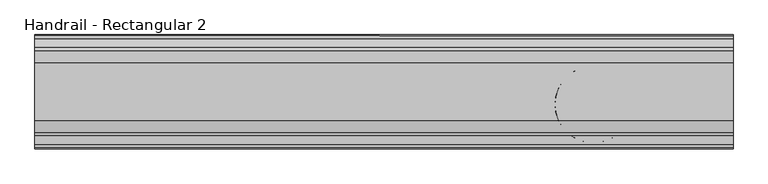
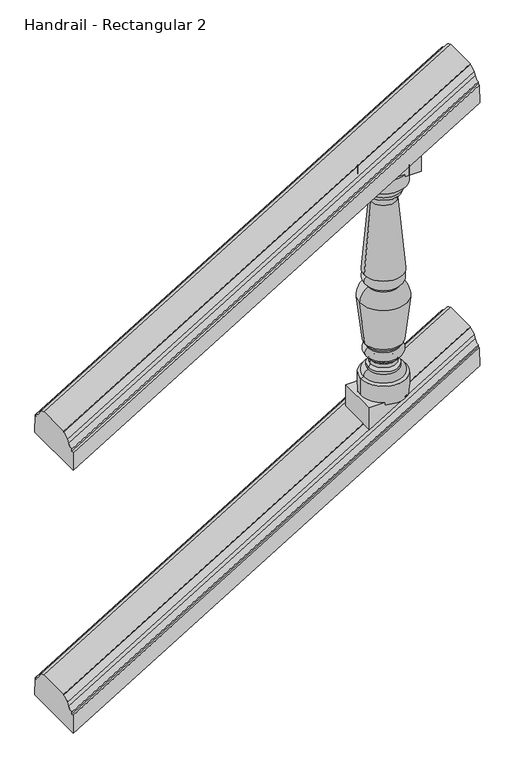
"""IFC4 building model written with IfcOpenShell, lengths in millimetres: railing geometry, Handrail - Rectangular 2."""

from ifc_helpers import new_model, si_unit, point, frame, origin, place, context, project, spatial, polyline, circle_curve, ellipse_curve, trimmed, outline, extrude, source, transform, mapped, element, save
from ifc_brep_helpers import plane_surface, cylinder_surface, revolved_surface, advanced_brep


def handrail_rectangular_2_e34b706b(model_context):
    return source(origin(), model_context, "Body", "SolidModel", [
        advanced_brep(
        [(6060.3027138, 3915.5232089, 1199.0074207), (6060.3027138, 3932.6436506, 1210.4791063), (6060.3027138, 3939.1037227, 1221.5403426), (6060.3027138, 3963.1482089, 1232.4207421), (6060.3027138, 3963.1482089, 1236.1333333), (6060.3027138, 4079.0357089, 1236.1333333), (6060.3027138, 4079.0357089, 1232.4207421), (6060.3027138, 4103.080195, 1221.5403426), (6060.3027138, 4109.5402671, 1210.4791063), (6060.3027138, 4126.6607089, 1199.0074207), (6060.3027138, 4126.6607089, 1191.5822381), (6060.3027138, 4133.8044589, 1191.5822381), (6060.3027138, 4135.3919589, 1128.4681866), (6060.3027138, 3906.7919589, 1128.4681866), (6060.3027138, 3908.3794589, 1191.5822381), (6060.3027138, 3915.5232089, 1191.5822381), (7457.3027138, 3915.5232089, 2045.6740873), (7457.3027138, 3915.5232089, 2038.2489048), (7457.3027138, 3908.3794589, 2038.2489048), (7457.3027138, 3906.7919589, 1975.1348533), (7457.3027138, 4135.3919589, 1975.1348533), (7457.3027138, 4133.8044589, 2038.2489048), (7457.3027138, 4126.6607089, 2038.2489048), (7457.3027138, 4126.6607089, 2045.6740873), (7457.3027138, 4109.5402671, 2057.145773), (7457.3027138, 4103.080195, 2068.2070092), (7457.3027138, 4079.0357089, 2079.0874087), (7457.3027138, 4079.0357089, 2082.8), (7457.3027138, 3963.1482089, 2082.8), (7457.3027138, 3963.1482089, 2079.0874087), (7457.3027138, 3939.1037227, 2068.2070092), (7457.3027138, 3932.6436506, 2057.145773)],
        [
            (0, 1, ellipse_curve(frame((6060.3027138, 3915.5232089, 1222.2111161), z_axis=(1.0, 0.0, 0.0), x_axis=(0.0, 0.0, 1.0)), 23.2036954, 19.84375)),
            (1, 2),
            (2, 3, ellipse_curve(frame((6060.3027138, 3963.1482089, 1190.6540903), z_axis=(-1.0, 0.0, 0.0), x_axis=(0.0, 0.0, -1.0)), 41.7666517, 35.71875)),
            (3, 4),
            (4, 5),
            (5, 6),
            (6, 7, ellipse_curve(frame((6060.3027138, 4079.0357089, 1190.6540903), z_axis=(-1.0, 0.0, 0.0), x_axis=(0.0, 0.0, -1.0)), 41.7666517, 35.71875)),
            (7, 8),
            (8, 9, ellipse_curve(frame((6060.3027138, 4126.6607089, 1222.2111161), z_axis=(1.0, 0.0, 0.0), x_axis=(0.0, 0.0, 1.0)), 23.2036954, 19.84375)),
            (9, 10),
            (10, 11),
            (11, 12),
            (12, 13),
            (13, 14),
            (14, 15),
            (15, 0),
            (16, 17),
            (17, 18),
            (18, 19),
            (19, 20),
            (20, 21),
            (21, 22),
            (22, 23),
            (23, 24, ellipse_curve(frame((7457.3027138, 4126.6607089, 2068.8777828), z_axis=(-1.0, 0.0, 0.0), x_axis=(0.0, 0.0, 1.0)), 23.2036954, 19.84375)),
            (24, 25),
            (25, 26, ellipse_curve(frame((7457.3027138, 4079.0357089, 2037.320757), z_axis=(1.0, 0.0, 0.0), x_axis=(0.0, 0.0, -1.0)), 41.7666517, 35.71875)),
            (26, 27),
            (27, 28),
            (28, 29),
            (29, 30, ellipse_curve(frame((7457.3027138, 3963.1482089, 2037.320757), z_axis=(1.0, 0.0, 0.0), x_axis=(0.0, 0.0, -1.0)), 41.7666517, 35.71875)),
            (30, 31),
            (31, 16, ellipse_curve(frame((7457.3027138, 3915.5232089, 2068.8777828), z_axis=(-1.0, 0.0, 0.0), x_axis=(0.0, 0.0, 1.0)), 23.2036954, 19.84375)),
            (0, 16),
            (31, 1),
            (30, 2),
            (29, 3),
            (28, 4),
            (27, 5),
            (26, 6),
            (25, 7),
            (24, 8),
            (23, 9),
            (22, 10),
            (21, 11),
            (20, 12),
            (19, 13),
            (18, 14),
            (17, 15),
        ],
        [
            plane_surface(frame((6060.3027138, 4021.0919589, 1236.1333333), z_axis=(-1.0, 0.0, 0.0), x_axis=(0.0, 1.0, 0.0))),
            plane_surface(frame((7457.3027138, 4021.0919589, 2082.8), z_axis=(1.0, 0.0, 0.0), x_axis=(0.0, 1.0, 0.0))),
            revolved_surface(polyline([(7472.787982704496, 3932.643650672254, 2066.5307845075777), (6055.2178833424505, 3932.643650672254, 1207.3973909549572)]), (6066.4737436, 3915.5232089, 1225.9511342), (0.8551978315540539, 0.0, 0.518301716093285)),
            plane_surface(frame((6060.3027138, 3932.6436506, 1210.4791063), z_axis=(-0.29229904298269427, -0.8258052588880854, 0.482293420921521), x_axis=(0.8551978315540539, 0.0, 0.5183017160932849))),
            cylinder_surface(frame((6080.4614111, 3963.1482089, 1202.8714827), z_axis=(-0.8551978315540539, 0.0, -0.518301716093285), x_axis=(-0.518301716093285, 0.0, 0.8551978315540539)), 35.71875),
            plane_surface(frame((6060.3027138, 3963.1482089, 1232.4207421), z_axis=(0.0, -1.0000000000000002, 0.0), x_axis=(0.8551978315540539, 0.0, 0.518301716093285))),
            plane_surface(frame((6060.3027138, 3963.1482089, 1236.1333333), z_axis=(-0.518301716093285, 0.0, 0.8551978315540539), x_axis=(0.8551978315540539, 0.0, 0.518301716093285))),
            plane_surface(frame((6060.3027138, 4079.0357089, 1236.1333333), z_axis=(0.0, 1.0000000000000002, 0.0), x_axis=(0.8551978315540539, 0.0, 0.518301716093285))),
            cylinder_surface(frame((6080.4614111, 4079.0357089, 1202.8714827), z_axis=(-0.8551978315540539, 0.0, -0.518301716093285), x_axis=(-0.518301716093285, 0.0, 0.8551978315540539)), 35.71875),
            plane_surface(frame((6060.3027138, 4103.080195, 1221.5403426), z_axis=(-0.2922990429826896, 0.8258052588880918, 0.4822934209215132), x_axis=(0.8551978315540539, 0.0, 0.518301716093285))),
            revolved_surface(polyline([(7472.787982704496, 4109.540267127746, 2066.5307845075777), (6055.2178833424505, 4109.540267127746, 1207.3973909549572)]), (6066.4737436, 4126.6607089, 1225.9511342), (0.8551978315540539, 0.0, 0.518301716093285)),
            plane_surface(frame((6060.3027138, 4126.6607089, 1199.0074207), z_axis=(0.0, 1.0000000000000002, 0.0), x_axis=(0.8551978315540539, 0.0, 0.518301716093285))),
            plane_surface(frame((6060.3027138, 4126.6607089, 1191.5822381), z_axis=(-0.5183017160932849, 0.0, 0.8551978315540539), x_axis=(0.8551978315540539, 0.0, 0.5183017160932849))),
            plane_surface(frame((6060.3027138, 4133.8044589, 1191.5822381), z_axis=(-0.015237578896775987, 0.9995677544643533, 0.02514200517968431), x_axis=(0.8551978315540539, 0.0, 0.5183017160932849))),
            plane_surface(frame((6060.3027138, 4135.3919589, 1128.4681866), z_axis=(0.518301716093285, 0.0, -0.8551978315540539), x_axis=(0.8551978315540539, 0.0, 0.518301716093285))),
            plane_surface(frame((6060.3027138, 3906.7919589, 1128.4681866), z_axis=(-0.015237578896776153, -0.9995677544643533, 0.02514200517968458), x_axis=(0.8551978315540539, 0.0, 0.518301716093285))),
            plane_surface(frame((6060.3027138, 3908.3794589, 1191.5822381), z_axis=(-0.5183017160932849, 0.0, 0.8551978315540539), x_axis=(0.8551978315540539, 0.0, 0.5183017160932849))),
            plane_surface(frame((6060.3027138, 3915.5232089, 1191.5822381), z_axis=(0.0, -1.0000000000000002, 0.0), x_axis=(0.8551978315540539, 0.0, 0.5183017160932849))),
        ],
        [
            (0, [[1, 2, 3, 4, 5, 6, 7, 8, 9, 10, 11, 12, 13, 14, 15, 16]]),
            (1, [[17, 18, 19, 20, 21, 22, 23, 24, 25, 26, 27, 28, 29, 30, 31, 32]]),
            (2, [[-1, 33, -32, 34]]),
            (3, [[-2, -34, -31, 35]]),
            (4, [[-3, -35, -30, 36]]),
            (5, [[-4, -36, -29, 37]]),
            (6, [[-5, -37, -28, 38]]),
            (7, [[-6, -38, -27, 39]]),
            (8, [[-7, -39, -26, 40]]),
            (9, [[-8, -40, -25, 41]]),
            (10, [[-9, -41, -24, 42]]),
            (11, [[-10, -42, -23, 43]]),
            (12, [[-11, -43, -22, 44]]),
            (13, [[-12, -44, -21, 45]]),
            (14, [[-13, -45, -20, 46]]),
            (15, [[-14, -46, -19, 47]]),
            (16, [[-15, -47, -18, 48]]),
            (17, [[-16, -48, -17, -33]]),
        ],
    ),
        advanced_brep(
        [(6060.3027138, 3915.5232089, 243.3324207), (6060.3027138, 3932.6436506, 254.8041063), (6060.3027138, 3939.1037227, 265.8653426), (6060.3027138, 3963.1482089, 276.7457421), (6060.3027138, 3963.1482089, 280.4583333), (6060.3027138, 4079.0357089, 280.4583333), (6060.3027138, 4079.0357089, 276.7457421), (6060.3027138, 4103.080195, 265.8653426), (6060.3027138, 4109.5402671, 254.8041063), (6060.3027138, 4126.6607089, 243.3324207), (6060.3027138, 4126.6607089, 235.9072381), (6060.3027138, 4133.8044589, 235.9072381), (6060.3027138, 4135.3919589, 172.7931866), (6060.3027138, 3906.7919589, 172.7931866), (6060.3027138, 3908.3794589, 235.9072381), (6060.3027138, 3915.5232089, 235.9072381), (7457.3027138, 3915.5232089, 1089.9990873), (7457.3027138, 3915.5232089, 1082.5739048), (7457.3027138, 3908.3794589, 1082.5739048), (7457.3027138, 3906.7919589, 1019.4598533), (7457.3027138, 4135.3919589, 1019.4598533), (7457.3027138, 4133.8044589, 1082.5739048), (7457.3027138, 4126.6607089, 1082.5739048), (7457.3027138, 4126.6607089, 1089.9990873), (7457.3027138, 4109.5402671, 1101.470773), (7457.3027138, 4103.080195, 1112.5320092), (7457.3027138, 4079.0357089, 1123.4124087), (7457.3027138, 4079.0357089, 1127.125), (7457.3027138, 3963.1482089, 1127.125), (7457.3027138, 3963.1482089, 1123.4124087), (7457.3027138, 3939.1037227, 1112.5320092), (7457.3027138, 3932.6436506, 1101.470773)],
        [
            (0, 1, ellipse_curve(frame((6060.3027138, 3915.5232089, 266.5361161), z_axis=(1.0, 0.0, 0.0), x_axis=(0.0, 0.0, 1.0)), 23.2036954, 19.84375)),
            (1, 2),
            (2, 3, ellipse_curve(frame((6060.3027138, 3963.1482089, 234.9790903), z_axis=(-1.0, 0.0, 0.0), x_axis=(0.0, 0.0, -1.0)), 41.7666517, 35.71875)),
            (3, 4),
            (4, 5),
            (5, 6),
            (6, 7, ellipse_curve(frame((6060.3027138, 4079.0357089, 234.9790903), z_axis=(-1.0, 0.0, 0.0), x_axis=(0.0, 0.0, -1.0)), 41.7666517, 35.71875)),
            (7, 8),
            (8, 9, ellipse_curve(frame((6060.3027138, 4126.6607089, 266.5361161), z_axis=(1.0, 0.0, 0.0), x_axis=(0.0, 0.0, 1.0)), 23.2036954, 19.84375)),
            (9, 10),
            (10, 11),
            (11, 12),
            (12, 13),
            (13, 14),
            (14, 15),
            (15, 0),
            (16, 17),
            (17, 18),
            (18, 19),
            (19, 20),
            (20, 21),
            (21, 22),
            (22, 23),
            (23, 24, ellipse_curve(frame((7457.3027138, 4126.6607089, 1113.2027828), z_axis=(-1.0, 0.0, 0.0), x_axis=(0.0, 0.0, 1.0)), 23.2036954, 19.84375)),
            (24, 25),
            (25, 26, ellipse_curve(frame((7457.3027138, 4079.0357089, 1081.645757), z_axis=(1.0, 0.0, 0.0), x_axis=(0.0, 0.0, -1.0)), 41.7666517, 35.71875)),
            (26, 27),
            (27, 28),
            (28, 29),
            (29, 30, ellipse_curve(frame((7457.3027138, 3963.1482089, 1081.645757), z_axis=(1.0, 0.0, 0.0), x_axis=(0.0, 0.0, -1.0)), 41.7666517, 35.71875)),
            (30, 31),
            (31, 16, ellipse_curve(frame((7457.3027138, 3915.5232089, 1113.2027828), z_axis=(-1.0, 0.0, 0.0), x_axis=(0.0, 0.0, 1.0)), 23.2036954, 19.84375)),
            (0, 16),
            (31, 1),
            (30, 2),
            (29, 3),
            (28, 4),
            (27, 5),
            (26, 6),
            (25, 7),
            (24, 8),
            (23, 9),
            (22, 10),
            (21, 11),
            (20, 12),
            (19, 13),
            (18, 14),
            (17, 15),
        ],
        [
            plane_surface(frame((6060.3027138, 4021.0919589, 280.4583333), z_axis=(-1.0, 0.0, 0.0), x_axis=(0.0, 1.0, 0.0))),
            plane_surface(frame((7457.3027138, 4021.0919589, 1127.125), z_axis=(1.0, 0.0, 0.0), x_axis=(0.0, 1.0, 0.0))),
            revolved_surface(polyline([(7472.787982704496, 3932.643650672254, 1110.8557845075777), (6055.2178833424505, 3932.643650672254, 251.72239095495712)]), (6066.4737436, 3915.5232089, 270.2761342), (0.8551978315540539, 0.0, 0.518301716093285)),
            plane_surface(frame((6060.3027138, 3932.6436506, 254.8041063), z_axis=(-0.29229904298269427, -0.8258052588880856, 0.48229342092152083), x_axis=(0.8551978315540538, 0.0, 0.518301716093285))),
            cylinder_surface(frame((6080.4614111, 3963.1482089, 247.1964827), z_axis=(-0.8551978315540539, 0.0, -0.518301716093285), x_axis=(-0.518301716093285, 0.0, 0.8551978315540539)), 35.71875),
            plane_surface(frame((6060.3027138, 3963.1482089, 276.7457421), z_axis=(0.0, -1.0000000000000002, 0.0), x_axis=(0.8551978315540539, 0.0, 0.518301716093285))),
            plane_surface(frame((6060.3027138, 3963.1482089, 280.4583333), z_axis=(-0.518301716093285, 0.0, 0.8551978315540539), x_axis=(0.8551978315540539, 0.0, 0.518301716093285))),
            plane_surface(frame((6060.3027138, 4079.0357089, 280.4583333), z_axis=(0.0, 1.0000000000000002, 0.0), x_axis=(0.8551978315540539, 0.0, 0.518301716093285))),
            cylinder_surface(frame((6080.4614111, 4079.0357089, 247.1964827), z_axis=(-0.8551978315540539, 0.0, -0.518301716093285), x_axis=(-0.518301716093285, 0.0, 0.8551978315540539)), 35.71875),
            plane_surface(frame((6060.3027138, 4103.080195, 265.8653426), z_axis=(-0.2922990429826896, 0.8258052588880918, 0.4822934209215132), x_axis=(0.8551978315540539, 0.0, 0.518301716093285))),
            revolved_surface(polyline([(7472.787982704496, 4109.540267127746, 1110.8557845075777), (6055.2178833424505, 4109.540267127746, 251.72239095495718)]), (6066.4737436, 4126.6607089, 270.2761342), (0.8551978315540539, 0.0, 0.518301716093285)),
            plane_surface(frame((6060.3027138, 4126.6607089, 243.3324207), z_axis=(0.0, 1.0000000000000002, 0.0), x_axis=(0.8551978315540539, 0.0, 0.518301716093285))),
            plane_surface(frame((6060.3027138, 4126.6607089, 235.9072381), z_axis=(-0.518301716093285, 0.0, 0.8551978315540539), x_axis=(0.8551978315540539, 0.0, 0.518301716093285))),
            plane_surface(frame((6060.3027138, 4133.8044589, 235.9072381), z_axis=(-0.015237578896775988, 0.9995677544643533, 0.02514200517968431), x_axis=(0.8551978315540539, 0.0, 0.518301716093285))),
            plane_surface(frame((6060.3027138, 4135.3919589, 172.7931866), z_axis=(0.518301716093285, 0.0, -0.8551978315540538), x_axis=(0.8551978315540538, 0.0, 0.518301716093285))),
            plane_surface(frame((6060.3027138, 3906.7919589, 172.7931866), z_axis=(-0.015237578896776151, -0.9995677544643531, 0.025142005179684575), x_axis=(0.8551978315540538, 0.0, 0.518301716093285))),
            plane_surface(frame((6060.3027138, 3908.3794589, 235.9072381), z_axis=(-0.518301716093285, 0.0, 0.8551978315540539), x_axis=(0.8551978315540539, 0.0, 0.518301716093285))),
            plane_surface(frame((6060.3027138, 3915.5232089, 235.9072381), z_axis=(0.0, -1.0000000000000002, 0.0), x_axis=(0.8551978315540539, 0.0, 0.518301716093285))),
        ],
        [
            (0, [[1, 2, 3, 4, 5, 6, 7, 8, 9, 10, 11, 12, 13, 14, 15, 16]]),
            (1, [[17, 18, 19, 20, 21, 22, 23, 24, 25, 26, 27, 28, 29, 30, 31, 32]]),
            (2, [[-1, 33, -32, 34]]),
            (3, [[-2, -34, -31, 35]]),
            (4, [[-3, -35, -30, 36]]),
            (5, [[-4, -36, -29, 37]]),
            (6, [[-5, -37, -28, 38]]),
            (7, [[-6, -38, -27, 39]]),
            (8, [[-7, -39, -26, 40]]),
            (9, [[-8, -40, -25, 41]]),
            (10, [[-9, -41, -24, 42]]),
            (11, [[-10, -42, -23, 43]]),
            (12, [[-11, -43, -22, 44]]),
            (13, [[-12, -44, -21, 45]]),
            (14, [[-13, -45, -20, 46]]),
            (15, [[-14, -46, -19, 47]]),
            (16, [[-15, -47, -18, 48]]),
            (17, [[-16, -48, -17, -33]]),
        ],
    ),
        advanced_brep(
        [(7177.9027138, 3995.6919589, 1788.1965933), (7100.3414749, 3995.6919589, 1788.1965933), (7255.4639527, 3995.6919589, 1788.1965933), (7255.6902138, 3995.6919589, 975.3965933), (7100.1152138, 3995.6919589, 975.3965933), (7177.9027138, 3995.6919589, 975.3965933), (7255.6902138, 3995.6919589, 1042.0715933), (7100.1152138, 3995.6919589, 1042.0715933), (7246.0781798, 3995.6919589, 1047.2200783), (7109.7272477, 3995.6919589, 1047.2200783), (7230.2902138, 3995.6919589, 1067.6026465), (7125.5152138, 3995.6919589, 1067.6026465), (7230.2902138, 3995.6919589, 1076.9965933), (7125.5152138, 3995.6919589, 1076.9965933), (7222.6714969, 3995.6919589, 1086.0314095), (7133.1339306, 3995.6919589, 1086.0314095), (7222.6714969, 3995.6919589, 1099.7117771), (7133.1339306, 3995.6919589, 1099.7117771), (7230.2902138, 3995.6919589, 1108.7465933), (7125.5152138, 3995.6919589, 1108.7465933), (7230.2902138, 3995.6919589, 1115.0965933), (7125.5152138, 3995.6919589, 1115.0965933), (7231.0839638, 3995.6919589, 1146.8465933), (7124.7214638, 3995.6919589, 1146.8465933), (7231.0839638, 3995.6919589, 1153.1965933), (7124.7214638, 3995.6919589, 1153.1965933), (7241.8567486, 3995.6919589, 1165.8873775), (7113.948679, 3995.6919589, 1165.8873775), (7258.9438292, 3995.6919589, 1320.244182), (7096.8615983, 3995.6919589, 1320.244182), (7230.2902138, 3995.6919589, 1367.5090933), (7125.5152138, 3995.6919589, 1367.5090933), (7230.2902138, 3995.6919589, 1373.8590933), (7125.5152138, 3995.6919589, 1373.8590933), (7233.4652138, 3995.6919589, 1408.7840933), (7122.3402138, 3995.6919589, 1408.7840933), (7233.4652138, 3995.6919589, 1411.9590933), (7122.3402138, 3995.6919589, 1411.9590933), (7244.5777138, 3995.6919589, 1416.7215933), (7111.2277138, 3995.6919589, 1416.7215933), (7221.3992017, 3995.6919589, 1675.1915152), (7134.4062258, 3995.6919589, 1675.1915152), (7233.4652138, 3995.6919589, 1702.4715933), (7122.3402138, 3995.6919589, 1702.4715933), (7233.4652138, 3995.6919589, 1711.9965933), (7122.3402138, 3995.6919589, 1711.9965933), (7244.5777138, 3995.6919589, 1738.9840933), (7111.2277138, 3995.6919589, 1738.9840933), (7255.6902138, 3995.6919589, 1742.1590933), (7100.1152138, 3995.6919589, 1742.1590933)],
        [
            (0, 1),
            (1, 2, circle_curve(frame((7177.9027138, 3995.6919589, 1788.1965933), z_axis=(0.0, 0.0, 1.0), x_axis=(-1.0, 0.0, 0.0)), 77.5612389)),
            (2, 0),
            (2, 1, circle_curve(frame((7177.9027138, 3995.6919589, 1788.1965933), z_axis=(0.0, 0.0, 1.0), x_axis=(-1.0, 0.0, 0.0)), 77.5612389)),
            (3, 4, circle_curve(frame((7177.9027138, 3995.6919589, 975.3965933), z_axis=(0.0, 0.0, -1.0), x_axis=(-1.0, 0.0, 0.0)), 77.7875)),
            (4, 5),
            (5, 3),
            (4, 3, circle_curve(frame((7177.9027138, 3995.6919589, 975.3965933), z_axis=(0.0, 0.0, -1.0), x_axis=(-1.0, 0.0, 0.0)), 77.7875)),
            (6, 7, circle_curve(frame((7177.9027138, 3995.6919589, 1042.0715933), z_axis=(0.0, 0.0, -1.0), x_axis=(-1.0, 0.0, 0.0)), 77.7875)),
            (7, 4),
            (3, 6),
            (7, 6, circle_curve(frame((7177.9027138, 3995.6919589, 1042.0715933), z_axis=(0.0, 0.0, -1.0), x_axis=(-1.0, 0.0, 0.0)), 77.7875)),
            (8, 9, circle_curve(frame((7177.9027138, 3995.6919589, 1047.2200783), z_axis=(0.0, 0.0, -1.0), x_axis=(-1.0, 0.0, 0.0)), 68.175466)),
            (9, 7),
            (6, 8),
            (9, 8, circle_curve(frame((7177.9027138, 3995.6919589, 1047.2200783), z_axis=(0.0, 0.0, -1.0), x_axis=(-1.0, 0.0, 0.0)), 68.175466)),
            (10, 11, circle_curve(frame((7177.9027138, 3995.6919589, 1067.6026465), z_axis=(0.0, 0.0, -1.0), x_axis=(-1.0, 0.0, 0.0)), 52.3875)),
            (11, 9, circle_curve(frame((7127.8903026, 3995.6919589, 1049.4571264), z_axis=(0.0, -1.0, 0.0), x_axis=(1.0, 0.0, 0.0)), 18.3002991)),
            (8, 10, circle_curve(frame((7227.9151249, 3995.6919589, 1049.4571264), z_axis=(0.0, -1.0, 0.0), x_axis=(-1.0, 0.0, 0.0)), 18.3002991)),
            (11, 10, circle_curve(frame((7177.9027138, 3995.6919589, 1067.6026465), z_axis=(0.0, 0.0, -1.0), x_axis=(-1.0, 0.0, 0.0)), 52.3875)),
            (12, 13, circle_curve(frame((7177.9027138, 3995.6919589, 1076.9965933), z_axis=(0.0, 0.0, -1.0), x_axis=(-1.0, 0.0, 0.0)), 52.3875)),
            (13, 11),
            (10, 12),
            (13, 12, circle_curve(frame((7177.9027138, 3995.6919589, 1076.9965933), z_axis=(0.0, 0.0, -1.0), x_axis=(-1.0, 0.0, 0.0)), 52.3875)),
            (14, 15, circle_curve(frame((7177.9027138, 3995.6919589, 1086.0314095), z_axis=(0.0, 0.0, -1.0), x_axis=(-1.0, 0.0, 0.0)), 44.7687831)),
            (15, 13, circle_curve(frame((7123.7298785, 3995.6919589, 1086.2317938), z_axis=(0.0, 1.0, 0.0), x_axis=(1.0, 0.0, 0.0)), 9.4061868)),
            (12, 14, circle_curve(frame((7232.075549, 3995.6919589, 1086.2317938), z_axis=(0.0, 1.0, 0.0), x_axis=(-1.0, 0.0, 0.0)), 9.4061868)),
            (15, 14, circle_curve(frame((7177.9027138, 3995.6919589, 1086.0314095), z_axis=(0.0, 0.0, -1.0), x_axis=(-1.0, 0.0, 0.0)), 44.7687831)),
            (16, 17, circle_curve(frame((7177.9027138, 3995.6919589, 1099.7117771), z_axis=(0.0, 0.0, -1.0), x_axis=(-1.0, 0.0, 0.0)), 44.7687831)),
            (17, 15),
            (14, 16),
            (17, 16, circle_curve(frame((7177.9027138, 3995.6919589, 1099.7117771), z_axis=(0.0, 0.0, -1.0), x_axis=(-1.0, 0.0, 0.0)), 44.7687831)),
            (18, 19, circle_curve(frame((7177.9027138, 3995.6919589, 1108.7465933), z_axis=(0.0, 0.0, -1.0), x_axis=(-1.0, 0.0, 0.0)), 52.3875)),
            (19, 17, circle_curve(frame((7123.7298785, 3995.6919589, 1099.5113928), z_axis=(0.0, 1.0, 0.0), x_axis=(1.0, 0.0, 0.0)), 9.4061868)),
            (16, 18, circle_curve(frame((7232.075549, 3995.6919589, 1099.5113928), z_axis=(0.0, 1.0, 0.0), x_axis=(-1.0, 0.0, 0.0)), 9.4061868)),
            (19, 18, circle_curve(frame((7177.9027138, 3995.6919589, 1108.7465933), z_axis=(0.0, 0.0, -1.0), x_axis=(-1.0, 0.0, 0.0)), 52.3875)),
            (20, 21, circle_curve(frame((7177.9027138, 3995.6919589, 1115.0965933), z_axis=(0.0, 0.0, -1.0), x_axis=(-1.0, 0.0, 0.0)), 52.3875)),
            (21, 19),
            (18, 20),
            (21, 20, circle_curve(frame((7177.9027138, 3995.6919589, 1115.0965933), z_axis=(0.0, 0.0, -1.0), x_axis=(-1.0, 0.0, 0.0)), 52.3875)),
            (22, 23, circle_curve(frame((7177.9027138, 3995.6919589, 1146.8465933), z_axis=(0.0, 0.0, -1.0), x_axis=(-1.0, 0.0, 0.0)), 53.18125)),
            (23, 21, circle_curve(frame((7131.0943014, 3995.6919589, 1131.1209924), z_axis=(0.0, -1.0, 0.0), x_axis=(1.0, 0.0, 0.0)), 16.9678397)),
            (20, 22, circle_curve(frame((7224.7111261, 3995.6919589, 1131.1209924), z_axis=(0.0, -1.0, 0.0), x_axis=(-1.0, 0.0, 0.0)), 16.9678397)),
            (23, 22, circle_curve(frame((7177.9027138, 3995.6919589, 1146.8465933), z_axis=(0.0, 0.0, -1.0), x_axis=(-1.0, 0.0, 0.0)), 53.18125)),
            (24, 25, circle_curve(frame((7177.9027138, 3995.6919589, 1153.1965933), z_axis=(0.0, 0.0, -1.0), x_axis=(-1.0, 0.0, 0.0)), 53.18125)),
            (25, 23),
            (22, 24),
            (25, 24, circle_curve(frame((7177.9027138, 3995.6919589, 1153.1965933), z_axis=(0.0, 0.0, -1.0), x_axis=(-1.0, 0.0, 0.0)), 53.18125)),
            (26, 27, circle_curve(frame((7177.9027138, 3995.6919589, 1165.8873775), z_axis=(0.0, 0.0, -1.0), x_axis=(-1.0, 0.0, 0.0)), 63.9540348)),
            (27, 25, circle_curve(frame((7134.5548362, 3995.6919589, 1172.4615378), z_axis=(0.0, -1.0, 0.0), x_axis=(1.0, 0.0, 0.0)), 21.6294545)),
            (24, 26, circle_curve(frame((7221.2505913, 3995.6919589, 1172.4615378), z_axis=(0.0, -1.0, 0.0), x_axis=(-1.0, 0.0, 0.0)), 21.6294545)),
            (27, 26, circle_curve(frame((7177.9027138, 3995.6919589, 1165.8873775), z_axis=(0.0, 0.0, -1.0), x_axis=(-1.0, 0.0, 0.0)), 63.9540348)),
            (28, 29, circle_curve(frame((7177.9027138, 3995.6919589, 1320.244182), z_axis=(0.0, 0.0, -1.0), x_axis=(-1.0, 0.0, 0.0)), 81.0411154)),
            (29, 27, circle_curve(frame((8591.1890441, 3995.6919589, 1407.5399631), z_axis=(0.0, -1.0, 0.0), x_axis=(1.0, 0.0, 0.0)), 1496.8751012)),
            (26, 28, circle_curve(frame((5764.6163835, 3995.6919589, 1407.5399631), z_axis=(0.0, -1.0, 0.0), x_axis=(-1.0, 0.0, 0.0)), 1496.8751012)),
            (29, 28, circle_curve(frame((7177.9027138, 3995.6919589, 1320.244182), z_axis=(0.0, 0.0, -1.0), x_axis=(-1.0, 0.0, 0.0)), 81.0411154)),
            (30, 31, circle_curve(frame((7177.9027138, 3995.6919589, 1367.5090933), z_axis=(0.0, 0.0, -1.0), x_axis=(-1.0, 0.0, 0.0)), 52.3875)),
            (31, 29, circle_curve(frame((7148.6143644, 3995.6919589, 1321.187734), z_axis=(0.0, -1.0, 0.0), x_axis=(1.0, 0.0, 0.0)), 51.7613668)),
            (28, 30, circle_curve(frame((7207.1910631, 3995.6919589, 1321.187734), z_axis=(0.0, -1.0, 0.0), x_axis=(-1.0, 0.0, 0.0)), 51.7613668)),
            (31, 30, circle_curve(frame((7177.9027138, 3995.6919589, 1367.5090933), z_axis=(0.0, 0.0, -1.0), x_axis=(-1.0, 0.0, 0.0)), 52.3875)),
            (32, 33, circle_curve(frame((7177.9027138, 3995.6919589, 1373.8590933), z_axis=(0.0, 0.0, -1.0), x_axis=(-1.0, 0.0, 0.0)), 52.3875)),
            (33, 31),
            (30, 32),
            (33, 32, circle_curve(frame((7177.9027138, 3995.6919589, 1373.8590933), z_axis=(0.0, 0.0, -1.0), x_axis=(-1.0, 0.0, 0.0)), 52.3875)),
            (34, 35, circle_curve(frame((7177.9027138, 3995.6919589, 1408.7840933), z_axis=(0.0, 0.0, -1.0), x_axis=(-1.0, 0.0, 0.0)), 55.5625)),
            (35, 33, circle_curve(frame((7130.5814661, 3995.6919589, 1391.9264799), z_axis=(0.0, -1.0, 0.0), x_axis=(1.0, 0.0, 0.0)), 18.7642578)),
            (32, 34, circle_curve(frame((7225.2239614, 3995.6919589, 1391.9264799), z_axis=(0.0, -1.0, 0.0), x_axis=(-1.0, 0.0, 0.0)), 18.7642578)),
            (35, 34, circle_curve(frame((7177.9027138, 3995.6919589, 1408.7840933), z_axis=(0.0, 0.0, -1.0), x_axis=(-1.0, 0.0, 0.0)), 55.5625)),
            (36, 37, circle_curve(frame((7177.9027138, 3995.6919589, 1411.9590933), z_axis=(0.0, 0.0, -1.0), x_axis=(-1.0, 0.0, 0.0)), 55.5625)),
            (37, 35),
            (34, 36),
            (37, 36, circle_curve(frame((7177.9027138, 3995.6919589, 1411.9590933), z_axis=(0.0, 0.0, -1.0), x_axis=(-1.0, 0.0, 0.0)), 55.5625)),
            (38, 39, circle_curve(frame((7177.9027138, 3995.6919589, 1416.7215933), z_axis=(0.0, 0.0, -1.0), x_axis=(-1.0, 0.0, 0.0)), 66.675)),
            (39, 37),
            (36, 38),
            (39, 38, circle_curve(frame((7177.9027138, 3995.6919589, 1416.7215933), z_axis=(0.0, 0.0, -1.0), x_axis=(-1.0, 0.0, 0.0)), 66.675)),
            (40, 41, circle_curve(frame((7177.9027138, 3995.6919589, 1675.1915152), z_axis=(0.0, 0.0, -1.0), x_axis=(-1.0, 0.0, 0.0)), 43.4964879)),
            (41, 39, circle_curve(frame((5487.5697999, 3995.6919589, 1692.5987477), z_axis=(0.0, 1.0, 0.0), x_axis=(1.0, 0.0, 0.0)), 1646.9284215)),
            (38, 40, circle_curve(frame((8868.2356276, 3995.6919589, 1692.5987477), z_axis=(0.0, 1.0, 0.0), x_axis=(-1.0, 0.0, 0.0)), 1646.9284215)),
            (41, 40, circle_curve(frame((7177.9027138, 3995.6919589, 1675.1915152), z_axis=(0.0, 0.0, -1.0), x_axis=(-1.0, 0.0, 0.0)), 43.4964879)),
            (42, 43, circle_curve(frame((7177.9027138, 3995.6919589, 1702.4715933), z_axis=(0.0, 0.0, -1.0), x_axis=(-1.0, 0.0, 0.0)), 55.5625)),
            (43, 41, circle_curve(frame((7101.702067, 3995.6919589, 1677.0348706), z_axis=(0.0, 1.0, 0.0), x_axis=(1.0, 0.0, 0.0)), 32.7560676)),
            (40, 42, circle_curve(frame((7254.1033606, 3995.6919589, 1677.0348706), z_axis=(0.0, 1.0, 0.0), x_axis=(-1.0, 0.0, 0.0)), 32.7560676)),
            (43, 42, circle_curve(frame((7177.9027138, 3995.6919589, 1702.4715933), z_axis=(0.0, 0.0, -1.0), x_axis=(-1.0, 0.0, 0.0)), 55.5625)),
            (44, 45, circle_curve(frame((7177.9027138, 3995.6919589, 1711.9965933), z_axis=(0.0, 0.0, -1.0), x_axis=(-1.0, 0.0, 0.0)), 55.5625)),
            (45, 43),
            (42, 44),
            (45, 44, circle_curve(frame((7177.9027138, 3995.6919589, 1711.9965933), z_axis=(0.0, 0.0, -1.0), x_axis=(-1.0, 0.0, 0.0)), 55.5625)),
            (46, 47, circle_curve(frame((7177.9027138, 3995.6919589, 1738.9840933), z_axis=(0.0, 0.0, -1.0), x_axis=(-1.0, 0.0, 0.0)), 66.675)),
            (47, 45, circle_curve(frame((7140.5879355, 3995.6919589, 1735.2919788), z_axis=(0.0, -1.0, 0.0), x_axis=(1.0, 0.0, 0.0)), 29.5914571)),
            (44, 46, circle_curve(frame((7215.217492, 3995.6919589, 1735.2919788), z_axis=(0.0, -1.0, 0.0), x_axis=(-1.0, 0.0, 0.0)), 29.5914571)),
            (47, 46, circle_curve(frame((7177.9027138, 3995.6919589, 1738.9840933), z_axis=(0.0, 0.0, -1.0), x_axis=(-1.0, 0.0, 0.0)), 66.675)),
            (48, 49, circle_curve(frame((7177.9027138, 3995.6919589, 1742.1590933), z_axis=(0.0, 0.0, -1.0), x_axis=(-1.0, 0.0, 0.0)), 77.7875)),
            (49, 47),
            (46, 48),
            (49, 48, circle_curve(frame((7177.9027138, 3995.6919589, 1742.1590933), z_axis=(0.0, 0.0, -1.0), x_axis=(-1.0, 0.0, 0.0)), 77.7875)),
            (1, 49),
            (48, 2),
        ],
        [
            plane_surface(frame((7177.9027138, 3995.6919589, 1788.1965933), z_axis=(0.0, 0.0, 1.0), x_axis=(-1.0, 0.0, 0.0))),
            plane_surface(frame((7177.9027138, 3995.6919589, 975.3965933), z_axis=(0.0, 0.0, -1.0), x_axis=(-1.0, 0.0, 0.0))),
            cylinder_surface(frame((7177.9027138, 3995.6919589, 1858.0465933), z_axis=(0.0, 0.0, 1.0), x_axis=(-1.0, 0.0, 0.0)), 77.7875),
            revolved_surface(polyline([(7100.1152138, 3995.6919589, 1042.0715933), (7109.7272477, 3995.6919589, 1047.2200783)]), (7177.9027138, 3995.6919589, 1858.0465933), (0.0, 0.0, 1.0)),
            revolved_surface(trimmed(ellipse_curve(frame((7127.8903026, 3995.6919589, 1049.4571264), z_axis=(0.0, 1.0, 0.0), x_axis=(1.0, 0.0, 0.0)), 18.3002991, 18.3002991), [point((7109.7272477, 3995.6919589, 1047.2200783))], [point((7125.5152138, 3995.6919589, 1067.6026465))], True, "CARTESIAN"), (7177.9027138, 3995.6919589, 1858.0465933), (0.0, 0.0, 1.0)),
            cylinder_surface(frame((7177.9027138, 3995.6919589, 1858.0465933), z_axis=(0.0, 0.0, 1.0), x_axis=(-1.0, 0.0, 0.0)), 52.3875),
            revolved_surface(trimmed(ellipse_curve(frame((7123.7298785, 3995.6919589, 1086.2317938), z_axis=(0.0, -1.0, 0.0), x_axis=(1.0, 0.0, 0.0)), 9.4061868, 9.4061868), [point((7125.5152138, 3995.6919589, 1076.9965933))], [point((7133.1339306, 3995.6919589, 1086.0314095))], True, "CARTESIAN"), (7177.9027138, 3995.6919589, 1858.0465933), (0.0, 0.0, 1.0)),
            cylinder_surface(frame((7177.9027138, 3995.6919589, 1858.0465933), z_axis=(0.0, 0.0, 1.0), x_axis=(-1.0, 0.0, 0.0)), 44.7687831),
            revolved_surface(trimmed(ellipse_curve(frame((7123.7298785, 3995.6919589, 1099.5113928), z_axis=(0.0, -1.0, 0.0), x_axis=(1.0, 0.0, 0.0)), 9.4061868, 9.4061868), [point((7133.1339306, 3995.6919589, 1099.7117771))], [point((7125.5152138, 3995.6919589, 1108.7465933))], True, "CARTESIAN"), (7177.9027138, 3995.6919589, 1858.0465933), (0.0, 0.0, 1.0)),
            revolved_surface(trimmed(ellipse_curve(frame((7131.0943014, 3995.6919589, 1131.1209924), z_axis=(0.0, 1.0, 0.0), x_axis=(1.0, 0.0, 0.0)), 16.9678397, 16.9678397), [point((7125.5152138, 3995.6919589, 1115.0965933))], [point((7124.7214638, 3995.6919589, 1146.8465933))], True, "CARTESIAN"), (7177.9027138, 3995.6919589, 1858.0465933), (0.0, 0.0, 1.0)),
            cylinder_surface(frame((7177.9027138, 3995.6919589, 1858.0465933), z_axis=(0.0, 0.0, 1.0), x_axis=(-1.0, 0.0, 0.0)), 53.18125),
            revolved_surface(trimmed(ellipse_curve(frame((7134.5548362, 3995.6919589, 1172.4615378), z_axis=(0.0, 1.0, 0.0), x_axis=(1.0, 0.0, 0.0)), 21.6294545, 21.6294545), [point((7124.7214638, 3995.6919589, 1153.1965933))], [point((7113.948679, 3995.6919589, 1165.8873775))], True, "CARTESIAN"), (7177.9027138, 3995.6919589, 1858.0465933), (0.0, 0.0, 1.0)),
            revolved_surface(trimmed(ellipse_curve(frame((8591.1890441, 3995.6919589, 1407.5399631), z_axis=(0.0, 1.0, 0.0), x_axis=(1.0, 0.0, 0.0)), 1496.8751012, 1496.8751012), [point((7113.948679, 3995.6919589, 1165.8873775))], [point((7096.8615983, 3995.6919589, 1320.244182))], True, "CARTESIAN"), (7177.9027138, 3995.6919589, 1858.0465933), (0.0, 0.0, 1.0)),
            revolved_surface(trimmed(ellipse_curve(frame((7148.6143644, 3995.6919589, 1321.187734), z_axis=(0.0, 1.0, 0.0), x_axis=(1.0, 0.0, 0.0)), 51.7613668, 51.7613668), [point((7096.8615983, 3995.6919589, 1320.244182))], [point((7125.5152138, 3995.6919589, 1367.5090933))], True, "CARTESIAN"), (7177.9027138, 3995.6919589, 1858.0465933), (0.0, 0.0, 1.0)),
            revolved_surface(trimmed(ellipse_curve(frame((7130.5814661, 3995.6919589, 1391.9264799), z_axis=(0.0, 1.0, 0.0), x_axis=(1.0, 0.0, 0.0)), 18.7642578, 18.7642578), [point((7125.5152138, 3995.6919589, 1373.8590933))], [point((7122.3402138, 3995.6919589, 1408.7840933))], True, "CARTESIAN"), (7177.9027138, 3995.6919589, 1858.0465933), (0.0, 0.0, 1.0)),
            cylinder_surface(frame((7177.9027138, 3995.6919589, 1858.0465933), z_axis=(0.0, 0.0, 1.0), x_axis=(-1.0, 0.0, 0.0)), 55.5625),
            revolved_surface(polyline([(7122.3402138, 3995.6919589, 1411.9590933), (7111.2277138, 3995.6919589, 1416.7215933)]), (7177.9027138, 3995.6919589, 1858.0465933), (0.0, 0.0, 1.0)),
            revolved_surface(trimmed(ellipse_curve(frame((5487.5697999, 3995.6919589, 1692.5987477), z_axis=(0.0, -1.0, 0.0), x_axis=(1.0, 0.0, 0.0)), 1646.9284215, 1646.9284215), [point((7111.2277138, 3995.6919589, 1416.7215933))], [point((7134.4062258, 3995.6919589, 1675.1915152))], True, "CARTESIAN"), (7177.9027138, 3995.6919589, 1858.0465933), (0.0, 0.0, 1.0)),
            revolved_surface(trimmed(ellipse_curve(frame((7101.702067, 3995.6919589, 1677.0348706), z_axis=(0.0, -1.0, 0.0), x_axis=(1.0, 0.0, 0.0)), 32.7560676, 32.7560676), [point((7134.4062258, 3995.6919589, 1675.1915152))], [point((7122.3402138, 3995.6919589, 1702.4715933))], True, "CARTESIAN"), (7177.9027138, 3995.6919589, 1858.0465933), (0.0, 0.0, 1.0)),
            revolved_surface(trimmed(ellipse_curve(frame((7140.5879355, 3995.6919589, 1735.2919788), z_axis=(0.0, 1.0, 0.0), x_axis=(1.0, 0.0, 0.0)), 29.5914571, 29.5914571), [point((7122.3402138, 3995.6919589, 1711.9965933))], [point((7111.2277138, 3995.6919589, 1738.9840933))], True, "CARTESIAN"), (7177.9027138, 3995.6919589, 1858.0465933), (0.0, 0.0, 1.0)),
            revolved_surface(polyline([(7111.2277138, 3995.6919589, 1738.9840933), (7100.1152138, 3995.6919589, 1742.1590933)]), (7177.9027138, 3995.6919589, 1858.0465933), (0.0, 0.0, 1.0)),
            revolved_surface(polyline([(7100.1152138, 3995.6919589, 1742.1590933), (7100.3414749, 3995.6919589, 1788.1965933)]), (7177.9027138, 3995.6919589, 1858.0465933), (0.0, 0.0, 1.0)),
        ],
        [
            (0, [[1, 2, 3]]),
            (0, [[-3, 4, -1]]),
            (1, [[5, 6, 7]]),
            (1, [[8, -7, -6]]),
            (2, [[9, 10, -5, 11]]),
            (2, [[12, -11, -8, -10]]),
            (3, [[13, 14, -9, 15]]),
            (3, [[16, -15, -12, -14]]),
            (4, [[17, 18, -13, 19]]),
            (4, [[20, -19, -16, -18]]),
            (5, [[21, 22, -17, 23]]),
            (5, [[24, -23, -20, -22]]),
            (6, [[25, 26, -21, 27]]),
            (6, [[28, -27, -24, -26]]),
            (7, [[29, 30, -25, 31]]),
            (7, [[32, -31, -28, -30]]),
            (8, [[33, 34, -29, 35]]),
            (8, [[36, -35, -32, -34]]),
            (5, [[37, 38, -33, 39]]),
            (5, [[40, -39, -36, -38]]),
            (9, [[41, 42, -37, 43]]),
            (9, [[44, -43, -40, -42]]),
            (10, [[45, 46, -41, 47]]),
            (10, [[48, -47, -44, -46]]),
            (11, [[49, 50, -45, 51]]),
            (11, [[52, -51, -48, -50]]),
            (12, [[53, 54, -49, 55]]),
            (12, [[56, -55, -52, -54]]),
            (13, [[57, 58, -53, 59]]),
            (13, [[60, -59, -56, -58]]),
            (5, [[61, 62, -57, 63]]),
            (5, [[64, -63, -60, -62]]),
            (14, [[65, 66, -61, 67]]),
            (14, [[68, -67, -64, -66]]),
            (15, [[69, 70, -65, 71]]),
            (15, [[72, -71, -68, -70]]),
            (16, [[73, 74, -69, 75]]),
            (16, [[76, -75, -72, -74]]),
            (17, [[77, 78, -73, 79]]),
            (17, [[80, -79, -76, -78]]),
            (18, [[81, 82, -77, 83]]),
            (18, [[84, -83, -80, -82]]),
            (15, [[85, 86, -81, 87]]),
            (15, [[88, -87, -84, -86]]),
            (19, [[89, 90, -85, 91]]),
            (19, [[92, -91, -88, -90]]),
            (20, [[93, 94, -89, 95]]),
            (20, [[96, -95, -92, -94]]),
            (21, [[-2, 97, -93, 98]]),
            (21, [[-4, -98, -96, -97]]),
        ],
    ),
        extrude(outline(polyline([(983.1916667, 7219.8127138), (983.1916667, 7089.0027138), (903.9128788, 7089.0027138), (983.1916667, 7219.8127138)])), frame((0.0, 3925.8419589, 0.0), z_axis=(0.0, 1.0, 0.0), x_axis=(0.0, 0.0, 1.0)), (0.0, 0.0, 1.0), 139.7),
        extrude(outline(polyline([(1780.40152, 7135.9927138), (1780.40152, 7266.8027138), (1859.6803078, 7266.8027138), (1780.40152, 7135.9927138)])), frame((0.0, 3925.8419589, 0.0), z_axis=(0.0, 1.0, 0.0), x_axis=(0.0, 0.0, 1.0)), (0.0, 0.0, 1.0), 139.7),
    ])


if __name__ == "__main__":
    model = new_model("IFC4")
    model_context = context("Model", 3, world=origin())
    ifc_project = project(units=[si_unit("LENGTHUNIT", "METRE", prefix="MILLI")], contexts=[model_context])
    site = spatial("IfcSite", under=ifc_project)
    building = spatial("IfcBuilding", under=site)
    placement = place(None, origin())
    handrail_rectangular_2_shape = handrail_rectangular_2_e34b706b(model_context)
    element("IfcRailing", 1, ObjectType="Handrail - Rectangular 2", at=placement, inside=building, context=model_context, shape_type="MappedRepresentation", body=[
        mapped(handrail_rectangular_2_shape, transform((0.0, 0.0, 0.0), x_axis=(1.0, 0.0, 0.0), y_axis=(0.0, 1.0, 0.0), z_axis=(0.0, 0.0, 1.0))),
    ])
    save(model, "model.ifc")
